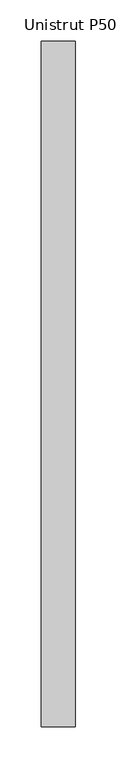
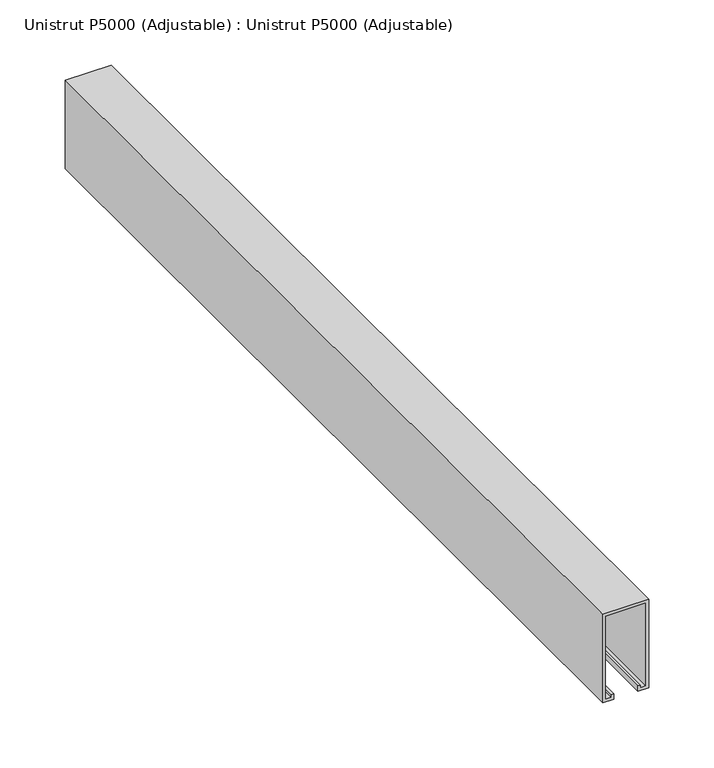
"""IFC4 building model written with IfcOpenShell, lengths in millimetres: proxy geometry, Unistrut P5000 (Adjustable) : Unistrut P5000 (Adjustable)."""

from ifc_helpers import new_model, si_unit, frame, origin, place, context, project, spatial, polyline, outline, extrude, source, transform, mapped, element, save


def unistrut_p5000_adjustable_unistrut_p5000_adjustable_67b84c89(model_context):
    return source(origin(), model_context, "Body", "SweptSolid", [
        extrude(outline(polyline([(83.0, 20.5), (83.0, -20.5), (0.0, -20.5), (0.0, -10.5), (5.0, -10.5), (5.0, -13.0), (2.5, -13.0), (2.5, -18.0), (80.5, -18.0), (80.5, 18.0), (2.5, 18.0), (2.5, 13.0), (5.0, 13.0), (5.0, 10.5), (0.0, 10.5), (0.0, 20.5), (83.0, 20.5)])), frame((0.0, -412.8353136, 0.0), z_axis=(0.0, 1.0, 0.0), x_axis=(0.0, 0.0, 1.0)), (0.0, 0.0, 1.0), 825.6706271),
    ])


if __name__ == "__main__":
    model = new_model("IFC4")
    model_context = context("Model", 3, world=origin())
    ifc_project = project(units=[si_unit("LENGTHUNIT", "METRE", prefix="MILLI")], contexts=[model_context])
    site = spatial("IfcSite", under=ifc_project)
    building = spatial("IfcBuilding", under=site)
    placement = place(None, origin())
    unistrut_p5000_adjustable_unistrut_p5000_adjustable_shape = unistrut_p5000_adjustable_unistrut_p5000_adjustable_67b84c89(model_context)
    element("IfcBuildingElementProxy", 1, Name="Unistrut P5000 (Adjustable) : Unistrut P5000 (Adjustable)", ObjectType="Unistrut P5000 (Adjustable) : Unistrut P5000 (Adjustable)", at=placement, inside=building, context=model_context, shape_type="MappedRepresentation", body=[
        mapped(unistrut_p5000_adjustable_unistrut_p5000_adjustable_shape, transform((0.0, 0.0, 0.0), x_axis=(1.0, 0.0, 0.0), y_axis=(0.0, 1.0, 0.0), z_axis=(0.0, 0.0, 1.0))),
    ])
    save(model, "model.ifc")
